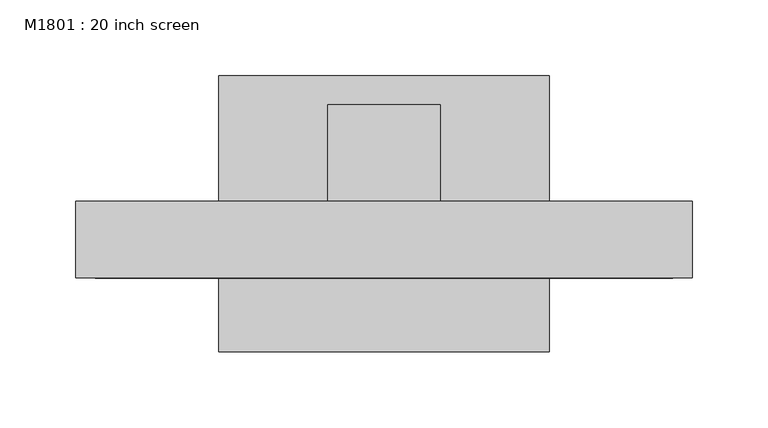
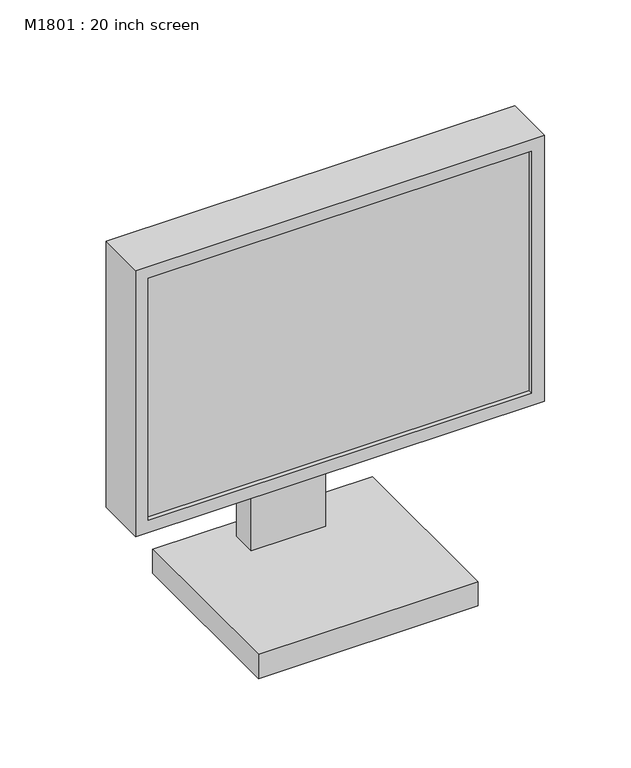
"""IFC4 building model written with IfcOpenShell, lengths in millimetres: proxy geometry, M1801 : 20 inch screen."""

from ifc_helpers import new_model, si_unit, origin, place, context, project, spatial, faceted_brep, source, transform, mapped, element, save


def m1801_20_inch_screen_3989158a(model_context):
    return source(origin(), model_context, "Body", "Brep", [
        faceted_brep([(203.2, 222.1656905, 431.8), (-203.2, 222.1656905, 431.8), (-203.2, 171.5343095, 431.8), (203.2, 171.5343095, 431.8), (203.2, 222.1656905, 152.4), (203.2, 171.5343095, 152.4), (-203.2, 171.5343095, 152.4), (-203.2, 222.1656905, 152.4), (-190.5, 171.5343095, 419.1), (190.5, 171.5343095, 419.1), (190.5, 171.5343095, 165.1), (-190.5, 171.5343095, 165.1), (190.5, 176.3205119, 419.1), (-190.5, 176.3205119, 419.1), (190.5, 176.3205119, 165.1), (-190.5, 176.3205119, 165.1)], [[[0, 1, 2, 3]], [[4, 5, 6, 7]], [[1, 0, 4, 7]], [[2, 1, 7, 6]], [[3, 2, 6, 5], [8, 9, 10, 11]], [[0, 3, 5, 4]], [[12, 9, 8, 13]], [[14, 15, 11, 10]], [[12, 13, 15, 14]], [[13, 8, 11, 15]], [[9, 12, 14, 10]]]),
        faceted_brep([(109.1218395, 122.9676261, 25.4), (109.1218395, 122.9676261, 0.0), (109.1218395, 304.8, 0.0), (109.1218395, 304.8, 25.4), (-109.1218395, 304.8, 25.4), (-109.1218395, 304.8, 0.0), (-109.1218395, 122.9676261, 0.0), (-109.1218395, 122.9676261, 25.4), (36.9685686, 285.6656905, 31.75), (36.9685686, 285.6656905, 25.4), (-36.9685686, 285.6656905, 25.4), (-36.9685686, 285.6656905, 31.75), (36.9685686, 285.6656905, 292.1), (-36.9685686, 285.6656905, 292.1), (36.9685686, 222.1656905, 292.1), (-36.9685686, 222.1656905, 292.1), (36.9685686, 222.1656905, 241.3), (-36.9685686, 222.1656905, 241.3), (36.9685686, 260.2656905, 241.3), (-36.9685686, 260.2656905, 241.3), (36.9685686, 260.2656905, 25.4), (-36.9685686, 260.2656905, 25.4)], [[[0, 1, 2, 3]], [[4, 5, 6, 7]], [[8, 9, 10, 11]], [[12, 8, 11, 13]], [[14, 12, 13, 15]], [[16, 14, 15, 17]], [[18, 16, 17, 19]], [[20, 18, 19, 21]], [[0, 3, 4, 7], [9, 20, 21, 10]], [[1, 0, 7, 6]], [[2, 1, 6, 5]], [[3, 2, 5, 4]], [[20, 9, 8, 12, 14, 16, 18]], [[10, 21, 19, 17, 15, 13, 11]]]),
    ])


if __name__ == "__main__":
    model = new_model("IFC4")
    model_context = context("Model", 3, world=origin())
    ifc_project = project(units=[si_unit("LENGTHUNIT", "METRE", prefix="MILLI")], contexts=[model_context])
    site = spatial("IfcSite", under=ifc_project)
    building = spatial("IfcBuilding", under=site)
    placement = place(None, origin())
    m1801_20_inch_screen_shape = m1801_20_inch_screen_3989158a(model_context)
    element("IfcBuildingElementProxy", 1, Name="M1801 : 20 inch screen", ObjectType="M1801 : 20 inch screen", at=placement, inside=building, context=model_context, shape_type="MappedRepresentation", body=[
        mapped(m1801_20_inch_screen_shape, transform((0.0, 0.0, 0.0), x_axis=(1.0, 0.0, 0.0), y_axis=(0.0, 1.0, 0.0), z_axis=(0.0, 0.0, 1.0))),
    ])
    save(model, "model.ifc")
